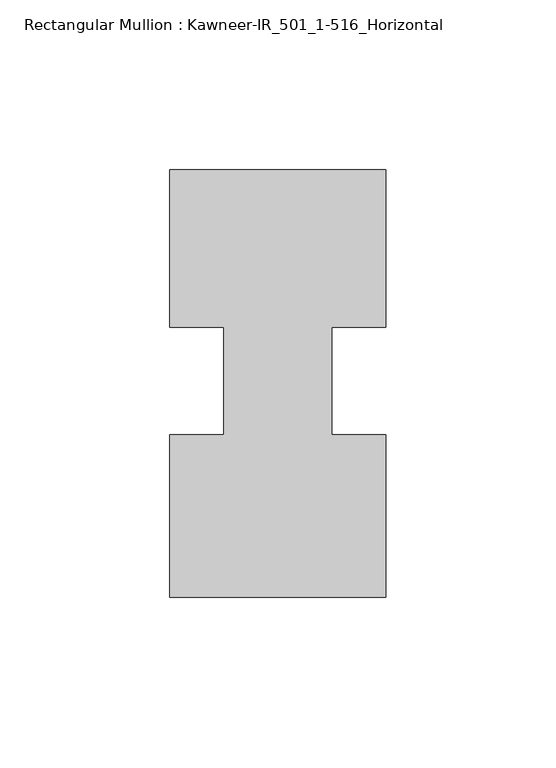
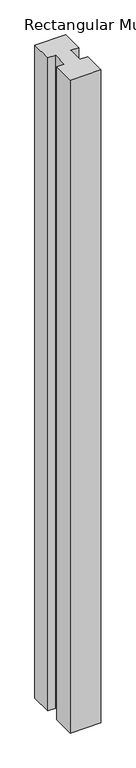
"""IFC4 building model written with IfcOpenShell, lengths in millimetres: member geometry, Rectangular Mullion : Kawneer-IR_501_1-516_Horizontal."""

from ifc_helpers import new_model, si_unit, frame, origin, place, context, project, spatial, polyline, outline, extrude, source, transform, mapped, element, save


def rectangular_mullion_kawneer_ir_501_1_516_horizontal_66ab27ed(model_context):
    return source(origin(), model_context, "Body", "SweptSolid", [
        extrude(outline(polyline([(42.4344027, -38.4683), (-21.0655973, -38.4683), (-21.0655973, 9.296885), (-5.1905973, 9.296885), (-5.1905973, 41.046885), (-21.0655973, 41.046885), (-21.0655973, 87.3125), (42.4344027, 87.3125), (42.4344027, 41.046885), (26.5467027, 41.046885), (26.5467027, 9.296885), (42.4344027, 9.296885), (42.4344027, -38.4683)])), frame((0.0, 0.0, -1424.2953311), z_axis=(0.0, 0.0, 1.0), x_axis=(1.0, 0.0, 0.0)), (0.0, 0.0, 1.0), 1424.2953311),
    ])


if __name__ == "__main__":
    model = new_model("IFC4")
    model_context = context("Model", 3, world=origin())
    ifc_project = project(units=[si_unit("LENGTHUNIT", "METRE", prefix="MILLI")], contexts=[model_context])
    site = spatial("IfcSite", under=ifc_project)
    building = spatial("IfcBuilding", under=site)
    placement = place(None, origin())
    rectangular_mullion_kawneer_ir_501_1_516_horizontal_shape = rectangular_mullion_kawneer_ir_501_1_516_horizontal_66ab27ed(model_context)
    element("IfcMember", 1, ObjectType="Rectangular Mullion : Kawneer-IR_501_1-516_Horizontal", at=placement, inside=building, context=model_context, shape_type="MappedRepresentation", body=[
        mapped(rectangular_mullion_kawneer_ir_501_1_516_horizontal_shape, transform((0.0, 0.0, 0.0), x_axis=(1.0, 0.0, 0.0), y_axis=(0.0, 1.0, 0.0), z_axis=(0.0, 0.0, 1.0))),
    ])
    save(model, "model.ifc")
